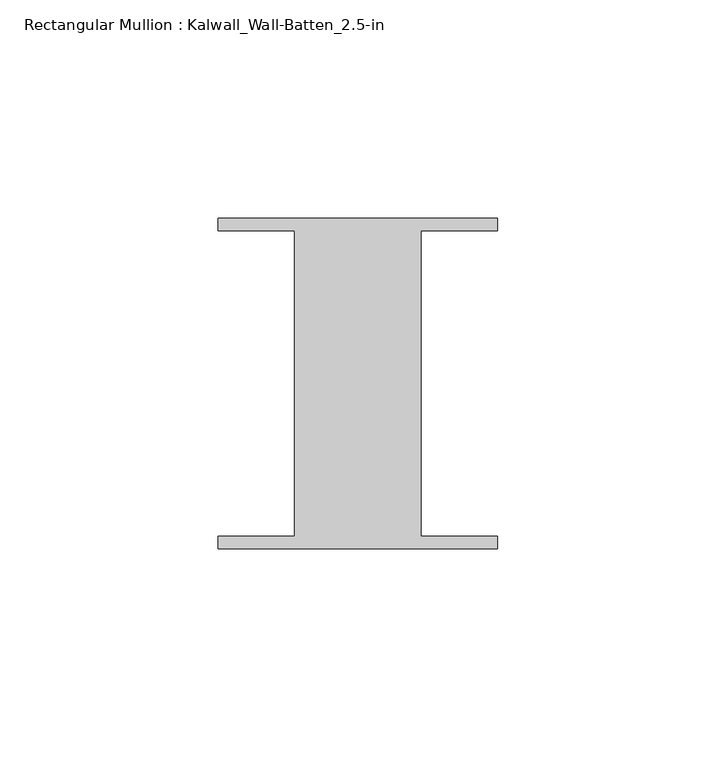
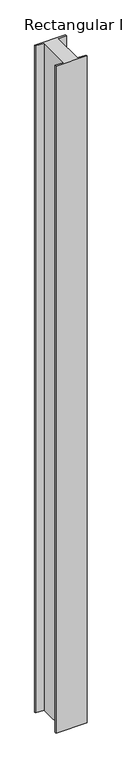
"""IFC4 building model written with IfcOpenShell, lengths in millimetres: member geometry, Rectangular Mullion : Kalwall_Wall-Batten_2.5-in."""

from ifc_helpers import new_model, si_unit, frame, origin, place, context, project, spatial, polyline, outline, extrude, source, transform, mapped, element, save


def rectangular_mullion_kalwall_wall_batten_2_5_in_cc1a27d1(model_context):
    return source(origin(), model_context, "Body", "SweptSolid", [
        extrude(outline(polyline([(-32.0, 36.524), (32.0, 36.524), (32.0, 33.73), (14.5, 33.73), (14.5, -36.27), (32.0, -36.27), (32.0, -39.064), (-32.0, -39.064), (-32.0, -36.27), (-14.5, -36.27), (-14.5, 33.73), (-32.0, 33.73), (-32.0, 36.524)])), frame((0.0, 0.0, -1452.0129997), z_axis=(0.0, 0.0, 1.0), x_axis=(1.0, 0.0, 0.0)), (0.0, 0.0, 1.0), 1452.0129997),
    ])


if __name__ == "__main__":
    model = new_model("IFC4")
    model_context = context("Model", 3, world=origin())
    ifc_project = project(units=[si_unit("LENGTHUNIT", "METRE", prefix="MILLI")], contexts=[model_context])
    site = spatial("IfcSite", under=ifc_project)
    building = spatial("IfcBuilding", under=site)
    placement = place(None, origin())
    rectangular_mullion_kalwall_wall_batten_2_5_in_shape = rectangular_mullion_kalwall_wall_batten_2_5_in_cc1a27d1(model_context)
    element("IfcMember", 1, ObjectType="Rectangular Mullion : Kalwall_Wall-Batten_2.5-in", at=placement, inside=building, context=model_context, shape_type="MappedRepresentation", body=[
        mapped(rectangular_mullion_kalwall_wall_batten_2_5_in_shape, transform((0.0, 0.0, 0.0), x_axis=(1.0, 0.0, 0.0), y_axis=(0.0, 1.0, 0.0), z_axis=(0.0, 0.0, 1.0))),
    ])
    save(model, "model.ifc")
